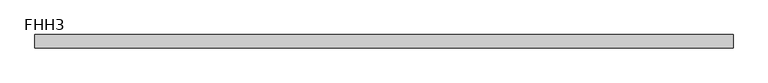
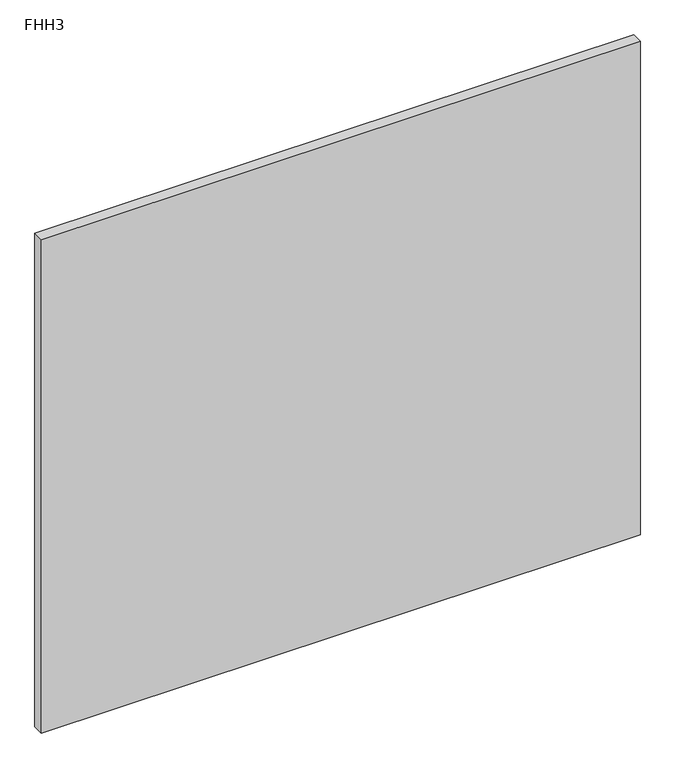
"""IFC4 building model written with IfcOpenShell, lengths in millimetres: proxy geometry, FHH3."""

from ifc_helpers import new_model, si_unit, frame, origin, place, context, project, spatial, polyline, outline, extrude, source, transform, mapped, element, save


def fhh3_c9f8088a(model_context):
    return source(origin(), model_context, "Body", "SweptSolid", [
        extrude(outline(polyline([(506.1204, 0.0), (506.1204, -19.05), (-506.1204, -19.05), (-506.1204, 0.0), (506.1204, 0.0)])), frame((0.0, 0.0, 3.175), z_axis=(0.0, 0.0, 1.0), x_axis=(1.0, 0.0, 0.0)), (0.0, 0.0, 1.0), 881.1594995),
    ])


if __name__ == "__main__":
    model = new_model("IFC4")
    model_context = context("Model", 3, world=origin())
    ifc_project = project(units=[si_unit("LENGTHUNIT", "METRE", prefix="MILLI")], contexts=[model_context])
    site = spatial("IfcSite", under=ifc_project)
    building = spatial("IfcBuilding", under=site)
    placement = place(None, origin())
    fhh3_shape = fhh3_c9f8088a(model_context)
    element("IfcBuildingElementProxy", 1, Name="FHH3", ObjectType="FHH3", at=placement, inside=building, context=model_context, shape_type="MappedRepresentation", body=[
        mapped(fhh3_shape, transform((0.0, 0.0, 0.0), x_axis=(1.0, 0.0, 0.0), y_axis=(0.0, 1.0, 0.0), z_axis=(0.0, 0.0, 1.0))),
    ])
    save(model, "model.ifc")
